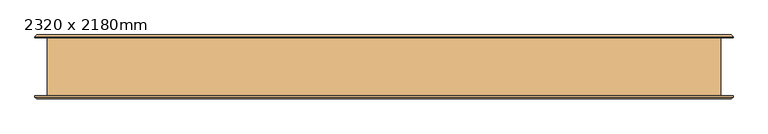
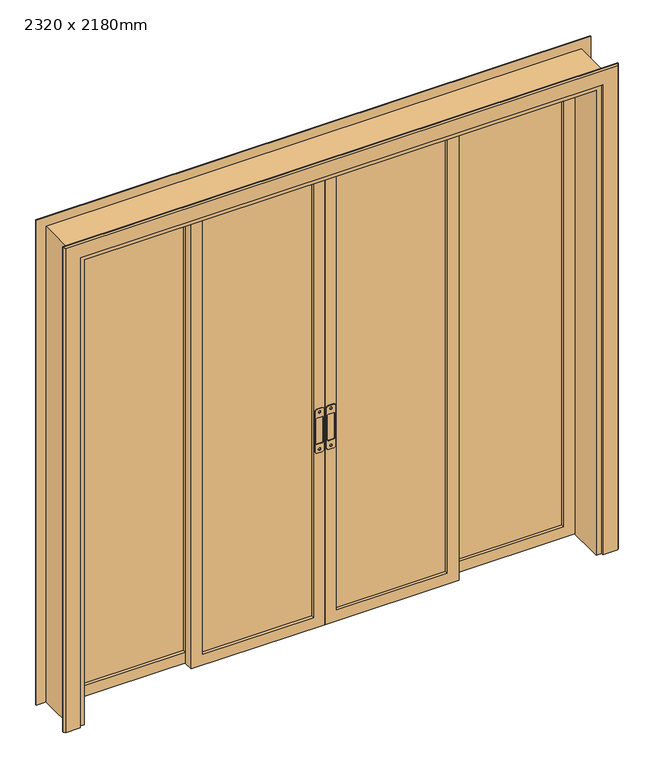
"""IFC4 building model written with IfcOpenShell, lengths in millimetres: door geometry, 2320 x 2180mm."""

from ifc_helpers import new_model, si_unit, point, frame, frame_2d, origin, place, context, project, spatial, polyline, circle_curve, trimmed, segment, composite_curve, outline, extrude, faceted_brep, source, transform, mapped, element, save


def door_2320_x_2180mm_1ee02603(model_context):
    return source(origin(), model_context, "Body", "SolidModel", [
        extrude(outline(composite_curve([segment(trimmed(circle_curve(frame_2d((990.0, 15.0)), 10.0), [point((1000.0, 15.0))], [point((990.0, 5.0))], False, "CARTESIAN"), True, "CONTINUOUS"), segment(polyline([(990.0, 5.0), (810.0, 5.0)]), True, "CONTINUOUS"), segment(trimmed(circle_curve(frame_2d((810.0, 15.0)), 10.0), [point((810.0, 5.0))], [point((800.0, 15.0))], False, "CARTESIAN"), True, "CONTINUOUS"), segment(polyline([(800.0, 15.0), (800.0, 35.0)]), True, "CONTINUOUS"), segment(trimmed(circle_curve(frame_2d((810.0, 35.0)), 10.0), [point((800.0, 35.0))], [point((810.0, 45.0))], False, "CARTESIAN"), True, "CONTINUOUS"), segment(polyline([(810.0, 45.0), (990.0, 45.0)]), True, "CONTINUOUS"), segment(trimmed(circle_curve(frame_2d((990.0, 35.0)), 10.0), [point((990.0, 45.0))], [point((1000.0, 35.0))], False, "CARTESIAN"), True, "CONTINUOUS"), segment(polyline([(1000.0, 35.0), (1000.0, 15.0)]), True, "CONTINUOUS")], self_intersect=False), holes=[composite_curve([segment(polyline([(960.0, 15.0), (960.0, 35.0)]), True, "CONTINUOUS"), segment(trimmed(circle_curve(frame_2d((955.0, 35.0)), 5.0), [point((960.0, 35.0))], [point((955.0, 40.0))], True, "CARTESIAN"), True, "CONTINUOUS"), segment(polyline([(955.0, 40.0), (845.0, 40.0)]), True, "CONTINUOUS"), segment(trimmed(circle_curve(frame_2d((845.0, 35.0)), 5.0), [point((845.0, 40.0))], [point((840.0, 35.0))], True, "CARTESIAN"), True, "CONTINUOUS"), segment(polyline([(840.0, 35.0), (840.0, 15.0)]), True, "CONTINUOUS"), segment(trimmed(circle_curve(frame_2d((845.0, 15.0)), 5.0), [point((840.0, 15.0))], [point((845.0, 10.0))], True, "CARTESIAN"), True, "CONTINUOUS"), segment(polyline([(845.0, 10.0), (955.0, 10.0)]), True, "CONTINUOUS"), segment(trimmed(circle_curve(frame_2d((955.0, 15.0)), 5.0), [point((955.0, 10.0))], [point((960.0, 15.0))], True, "CARTESIAN"), True, "CONTINUOUS")], self_intersect=False), composite_curve([segment(trimmed(circle_curve(frame_2d((985.0, 25.0)), 5.0), [point((985.0, 20.0))], [point((985.0, 30.0))], True, "CARTESIAN"), True, "CONTINUOUS"), segment(trimmed(circle_curve(frame_2d((985.0, 25.0)), 5.0), [point((985.0, 30.0))], [point((985.0, 20.0))], True, "CARTESIAN"), True, "CONTINUOUS")], self_intersect=False), composite_curve([segment(trimmed(circle_curve(frame_2d((815.0, 25.0)), 5.0), [point((815.0, 20.0))], [point((815.0, 30.0))], True, "CARTESIAN"), True, "CONTINUOUS"), segment(trimmed(circle_curve(frame_2d((815.0, 25.0)), 5.0), [point((815.0, 30.0))], [point((815.0, 20.0))], True, "CARTESIAN"), True, "CONTINUOUS")], self_intersect=False)]), frame((0.0, 12.0, 0.0), z_axis=(0.0, 1.0, 0.0), x_axis=(0.0, 0.0, 1.0)), (0.0, 0.0, 1.0), 3.0),
        extrude(outline(composite_curve([segment(trimmed(circle_curve(frame_2d((990.0, -35.0)), 10.0), [point((1000.0, -35.0))], [point((990.0, -45.0))], False, "CARTESIAN"), True, "CONTINUOUS"), segment(polyline([(990.0, -45.0), (810.0, -45.0)]), True, "CONTINUOUS"), segment(trimmed(circle_curve(frame_2d((810.0, -35.0)), 10.0), [point((810.0, -45.0))], [point((800.0, -35.0))], False, "CARTESIAN"), True, "CONTINUOUS"), segment(polyline([(800.0, -35.0), (800.0, -15.0)]), True, "CONTINUOUS"), segment(trimmed(circle_curve(frame_2d((810.0, -15.0)), 10.0), [point((800.0, -15.0))], [point((810.0, -5.0))], False, "CARTESIAN"), True, "CONTINUOUS"), segment(polyline([(810.0, -5.0), (990.0, -5.0)]), True, "CONTINUOUS"), segment(trimmed(circle_curve(frame_2d((990.0, -15.0)), 10.0), [point((990.0, -5.0))], [point((1000.0, -15.0))], False, "CARTESIAN"), True, "CONTINUOUS"), segment(polyline([(1000.0, -15.0), (1000.0, -35.0)]), True, "CONTINUOUS")], self_intersect=False), holes=[composite_curve([segment(polyline([(960.0, -35.0), (960.0, -15.0)]), True, "CONTINUOUS"), segment(trimmed(circle_curve(frame_2d((955.0, -15.0)), 5.0), [point((960.0, -15.0))], [point((955.0, -10.0))], True, "CARTESIAN"), True, "CONTINUOUS"), segment(polyline([(955.0, -10.0), (845.0, -10.0)]), True, "CONTINUOUS"), segment(trimmed(circle_curve(frame_2d((845.0, -15.0)), 5.0), [point((845.0, -10.0))], [point((840.0, -15.0))], True, "CARTESIAN"), True, "CONTINUOUS"), segment(polyline([(840.0, -15.0), (840.0, -35.0)]), True, "CONTINUOUS"), segment(trimmed(circle_curve(frame_2d((845.0, -35.0)), 5.0), [point((840.0, -35.0))], [point((845.0, -40.0))], True, "CARTESIAN"), True, "CONTINUOUS"), segment(polyline([(845.0, -40.0), (955.0, -40.0)]), True, "CONTINUOUS"), segment(trimmed(circle_curve(frame_2d((955.0, -35.0)), 5.0), [point((955.0, -40.0))], [point((960.0, -35.0))], True, "CARTESIAN"), True, "CONTINUOUS")], self_intersect=False), composite_curve([segment(trimmed(circle_curve(frame_2d((985.0, -25.0)), 5.0), [point((985.0, -30.0))], [point((985.0, -20.0))], True, "CARTESIAN"), True, "CONTINUOUS"), segment(trimmed(circle_curve(frame_2d((985.0, -25.0)), 5.0), [point((985.0, -20.0))], [point((985.0, -30.0))], True, "CARTESIAN"), True, "CONTINUOUS")], self_intersect=False), composite_curve([segment(trimmed(circle_curve(frame_2d((815.0, -25.0)), 5.0), [point((815.0, -30.0))], [point((815.0, -20.0))], True, "CARTESIAN"), True, "CONTINUOUS"), segment(trimmed(circle_curve(frame_2d((815.0, -25.0)), 5.0), [point((815.0, -20.0))], [point((815.0, -30.0))], True, "CARTESIAN"), True, "CONTINUOUS")], self_intersect=False)]), frame((0.0, 12.0, 0.0), z_axis=(0.0, 1.0, 0.0), x_axis=(0.0, 0.0, 1.0)), (0.0, 0.0, 1.0), 3.0),
        extrude(outline(polyline([(2130.0, 0.0), (2130.0, -580.0), (0.0, -580.0), (0.0, 0.0), (2130.0, 0.0)]), holes=[polyline([(2080.0, -530.0), (2080.0, -50.0), (50.0, -50.0), (50.0, -530.0), (2080.0, -530.0)])]), frame((0.0, 15.0, 0.0), z_axis=(0.0, 1.0, 0.0), x_axis=(0.0, 0.0, 1.0)), (0.0, 0.0, 1.0), 40.0),
        extrude(outline(polyline([(2130.0, 1110.0), (2130.0, 530.0), (0.0, 530.0), (0.0, 1110.0), (2130.0, 1110.0)]), holes=[polyline([(2080.0, 580.0), (2080.0, 1060.0), (50.0, 1060.0), (50.0, 580.0), (2080.0, 580.0)])]), frame((0.0, 60.0, 0.0), z_axis=(0.0, 1.0, 0.0), x_axis=(0.0, 0.0, 1.0)), (0.0, 0.0, 1.0), 40.0),
        extrude(outline(polyline([(2130.0, 580.0), (2130.0, 0.0), (0.0, 0.0), (0.0, 580.0), (2130.0, 580.0)]), holes=[polyline([(2080.0, 50.0), (2080.0, 530.0), (50.0, 530.0), (50.0, 50.0), (2080.0, 50.0)])]), frame((0.0, 15.0, 0.0), z_axis=(0.0, 1.0, 0.0), x_axis=(0.0, 0.0, 1.0)), (0.0, 0.0, 1.0), 40.0),
        extrude(outline(polyline([(2130.0, -530.0), (2130.0, -1110.0), (0.0, -1110.0), (0.0, -530.0), (2130.0, -530.0)]), holes=[polyline([(2080.0, -1060.0), (2080.0, -580.0), (50.0, -580.0), (50.0, -1060.0), (2080.0, -1060.0)])]), frame((0.0, 60.0, 0.0), z_axis=(0.0, 1.0, 0.0), x_axis=(0.0, 0.0, 1.0)), (0.0, 0.0, 1.0), 40.0),
        extrude(outline(polyline([(0.0, 1160.0), (2180.0, 1160.0), (2180.0, -1160.0), (0.0, -1160.0), (0.0, -1110.0), (2130.0, -1110.0), (2130.0, 1110.0), (0.0, 1110.0), (0.0, 1160.0)])), frame((0.0, -100.0, 0.0), z_axis=(0.0, 1.0, 0.0), x_axis=(0.0, 0.0, 1.0)), (0.0, 0.0, 1.0), 200.0),
        extrude(outline(polyline([(530.0, 28.0), (50.0, 28.0), (50.0, 42.0), (530.0, 42.0), (530.0, 28.0)])), frame((0.0, 0.0, 50.0), z_axis=(0.0, 0.0, 1.0), x_axis=(1.0, 0.0, 0.0)), (0.0, 0.0, 1.0), 2030.0),
        extrude(outline(polyline([(1060.0, 73.0), (580.0, 73.0), (580.0, 87.0), (1060.0, 87.0), (1060.0, 73.0)])), frame((0.0, 0.0, 50.0), z_axis=(0.0, 0.0, 1.0), x_axis=(1.0, 0.0, 0.0)), (0.0, 0.0, 1.0), 2030.0),
        extrude(outline(polyline([(-580.0, 73.0), (-1060.0, 73.0), (-1060.0, 87.0), (-580.0, 87.0), (-580.0, 73.0)])), frame((0.0, 0.0, 50.0), z_axis=(0.0, 0.0, 1.0), x_axis=(1.0, 0.0, 0.0)), (0.0, 0.0, 1.0), 2030.0),
        extrude(outline(polyline([(-50.0, 28.0), (-530.0, 28.0), (-530.0, 42.0), (-50.0, 42.0), (-50.0, 28.0)])), frame((0.0, 0.0, 50.0), z_axis=(0.0, 0.0, 1.0), x_axis=(1.0, 0.0, 0.0)), (0.0, 0.0, 1.0), 2030.0),
        extrude(outline(polyline([(-580.0, 73.0), (-1060.0, 73.0), (-1060.0, 87.0), (-580.0, 87.0), (-580.0, 73.0)])), frame((0.0, 0.0, 50.0), z_axis=(0.0, 0.0, 1.0), x_axis=(1.0, 0.0, 0.0)), (0.0, 0.0, 1.0), 2030.0),
        extrude(outline(polyline([(-50.0, 28.0), (-530.0, 28.0), (-530.0, 42.0), (-50.0, 42.0), (-50.0, 28.0)])), frame((0.0, 0.0, 50.0), z_axis=(0.0, 0.0, 1.0), x_axis=(1.0, 0.0, 0.0)), (0.0, 0.0, 1.0), 2030.0),
        extrude(outline(polyline([(580.0, 73.0), (580.0, 87.0), (1060.0, 87.0), (1060.0, 73.0), (580.0, 73.0)])), frame((0.0, 0.0, 50.0), z_axis=(0.0, 0.0, 1.0), x_axis=(1.0, 0.0, 0.0)), (0.0, 0.0, 1.0), 2030.0),
        extrude(outline(polyline([(50.0, 28.0), (50.0, 42.0), (530.0, 42.0), (530.0, 28.0), (50.0, 28.0)])), frame((0.0, 0.0, 50.0), z_axis=(0.0, 0.0, 1.0), x_axis=(1.0, 0.0, 0.0)), (0.0, 0.0, 1.0), 2030.0),
        faceted_brep([(1203.0, -104.0, 0.0), (1197.0, -110.0, 0.0), (1133.0, -110.0, 0.0), (1133.0, -100.0, 0.0), (1203.0, -100.0, 0.0), (1203.0, -100.0, 2223.0), (1203.0, -104.0, 2223.0), (1133.0, -100.0, 2153.0), (-1133.0, -100.0, 2153.0), (-1133.0, -100.0, 0.0), (-1203.0, -100.0, 0.0), (-1203.0, -100.0, 2223.0), (1133.0, -110.0, 2153.0), (1197.0, -110.0, 2217.0), (-1197.0, -110.0, 2217.0), (-1197.0, -110.0, 0.0), (-1133.0, -110.0, 0.0), (-1133.0, -110.0, 2153.0), (-1203.0, -104.0, 0.0), (-1203.0, -104.0, 2223.0)], [[[0, 1, 2, 3, 4]], [[4, 5, 6, 0]], [[3, 7, 8, 9, 10, 11, 5, 4]], [[2, 12, 7, 3]], [[1, 13, 14, 15, 16, 17, 12, 2]], [[0, 6, 13, 1]], [[17, 16, 9, 8]], [[18, 10, 9, 16, 15]], [[19, 18, 15, 14]], [[11, 10, 18, 19]], [[6, 19, 14, 13]], [[12, 17, 8, 7]], [[5, 11, 19, 6]]]),
        faceted_brep([(1203.0, 104.0, 0.0), (1203.0, 100.0, 0.0), (1133.0, 100.0, 0.0), (1133.0, 110.0, 0.0), (1197.0, 110.0, 0.0), (1197.0, 110.0, 2217.0), (1203.0, 104.0, 2223.0), (1133.0, 110.0, 2153.0), (-1133.0, 110.0, 2153.0), (-1133.0, 110.0, 0.0), (-1197.0, 110.0, 0.0), (-1197.0, 110.0, 2217.0), (1133.0, 100.0, 2153.0), (1203.0, 100.0, 2223.0), (-1203.0, 100.0, 2223.0), (-1203.0, 100.0, 0.0), (-1133.0, 100.0, 0.0), (-1133.0, 100.0, 2153.0), (-1203.0, 104.0, 0.0), (-1203.0, 104.0, 2223.0)], [[[0, 1, 2, 3, 4]], [[4, 5, 6, 0]], [[3, 7, 8, 9, 10, 11, 5, 4]], [[2, 12, 7, 3]], [[1, 13, 14, 15, 16, 17, 12, 2]], [[0, 6, 13, 1]], [[11, 10, 18, 19]], [[18, 10, 9, 16, 15]], [[17, 16, 9, 8]], [[19, 18, 15, 14]], [[5, 11, 19, 6]], [[12, 17, 8, 7]], [[6, 19, 14, 13]]]),
    ])


if __name__ == "__main__":
    model = new_model("IFC4")
    model_context = context("Model", 3, world=origin())
    ifc_project = project(units=[si_unit("LENGTHUNIT", "METRE", prefix="MILLI")], contexts=[model_context])
    site = spatial("IfcSite", under=ifc_project)
    building = spatial("IfcBuilding", under=site)
    placement = place(None, origin())
    door_2320_x_2180mm_shape = door_2320_x_2180mm_1ee02603(model_context)
    element("IfcDoor", 1, ObjectType="2320 x 2180mm", at=placement, inside=building, context=model_context, shape_type="MappedRepresentation", body=[
        mapped(door_2320_x_2180mm_shape, transform((0.0, 0.0, 0.0), x_axis=(1.0, 0.0, 0.0), y_axis=(0.0, 1.0, 0.0), z_axis=(0.0, 0.0, 1.0))),
    ])
    save(model, "model.ifc")
